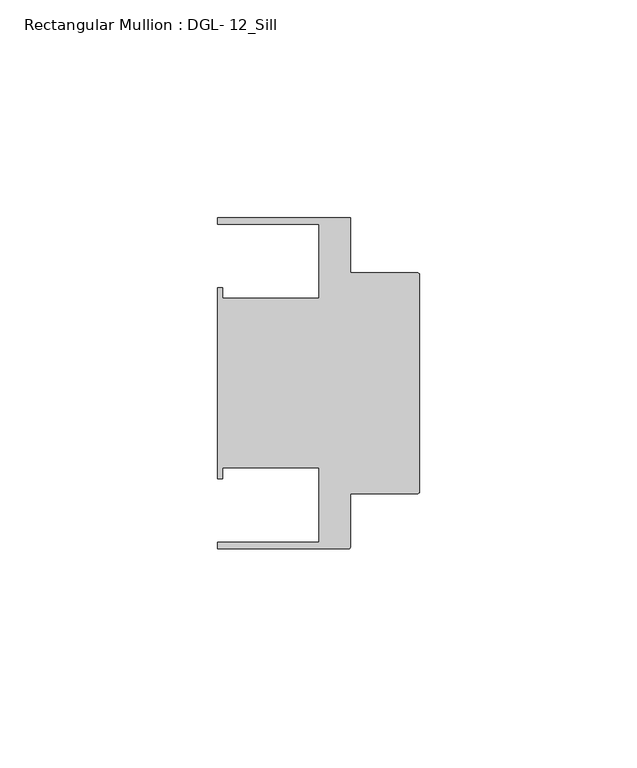
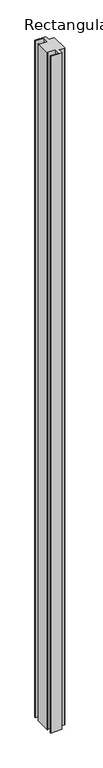
"""IFC4 building model written with IfcOpenShell, lengths in millimetres: member geometry, Rectangular Mullion : DGL- 12_Sill."""

from ifc_helpers import new_model, si_unit, point, frame, frame_2d, origin, place, context, project, spatial, polyline, circle_curve, trimmed, segment, composite_curve, outline, extrude, source, transform, mapped, element, save


def rectangular_mullion_dgl_12_sill_a2083b8a(model_context):
    return source(origin(), model_context, "Body", "SweptSolid", [
        extrude(outline(composite_curve([segment(trimmed(circle_curve(frame_2d((-0.5953125, 24.8046875)), 0.5953125), [point((-0.5953125, 25.4))], [point((0.0, 24.8046875))], False, "CARTESIAN"), True, "CONTINUOUS"), segment(polyline([(0.0, 24.8046875), (0.0, -24.8046875)]), True, "CONTINUOUS"), segment(trimmed(circle_curve(frame_2d((-0.5953125, -24.8046875)), 0.5953125), [point((0.0, -24.8046875))], [point((-0.5953125, -25.4))], False, "CARTESIAN"), True, "CONTINUOUS"), segment(polyline([(-0.5953125, -25.4), (-15.8750672, -25.4), (-15.8750672, -37.5047035)]), True, "CONTINUOUS"), segment(trimmed(circle_curve(frame_2d((-16.4703797, -37.5047035)), 0.5953125), [point((-15.8750672, -37.5047035))], [point((-16.4703797, -38.100016))], False, "CARTESIAN"), True, "CONTINUOUS"), segment(polyline([(-16.4703797, -38.100016), (-46.54296, -38.100016), (-46.54296, -36.512516), (-23.1202791, -36.512516), (-23.1202791, -19.4824275), (-45.2865266, -19.4824275), (-45.2865266, -21.9710976), (-46.54296, -21.9710976), (-46.54296, 21.9710976), (-45.2865266, 21.9710976), (-45.2865266, 19.4824275), (-23.1202791, 19.4824275), (-23.1202791, 36.512516), (-46.54296, 36.512516), (-46.54296, 38.0996792), (-15.8750672, 38.0996792), (-15.8750672, 25.4), (-0.5953125, 25.4)]), True, "CONTINUOUS")], self_intersect=False)), frame((0.0, 0.0, -1981.2), z_axis=(0.0, 0.0, 1.0), x_axis=(1.0, 0.0, 0.0)), (0.0, 0.0, 1.0), 1981.2),
    ])


if __name__ == "__main__":
    model = new_model("IFC4")
    model_context = context("Model", 3, world=origin())
    ifc_project = project(units=[si_unit("LENGTHUNIT", "METRE", prefix="MILLI")], contexts=[model_context])
    site = spatial("IfcSite", under=ifc_project)
    building = spatial("IfcBuilding", under=site)
    placement = place(None, origin())
    rectangular_mullion_dgl_12_sill_shape = rectangular_mullion_dgl_12_sill_a2083b8a(model_context)
    element("IfcMember", 1, ObjectType="Rectangular Mullion : DGL- 12_Sill", at=placement, inside=building, context=model_context, shape_type="MappedRepresentation", body=[
        mapped(rectangular_mullion_dgl_12_sill_shape, transform((0.0, 0.0, 0.0), x_axis=(1.0, 0.0, 0.0), y_axis=(0.0, 1.0, 0.0), z_axis=(0.0, 0.0, 1.0))),
    ])
    save(model, "model.ifc")
